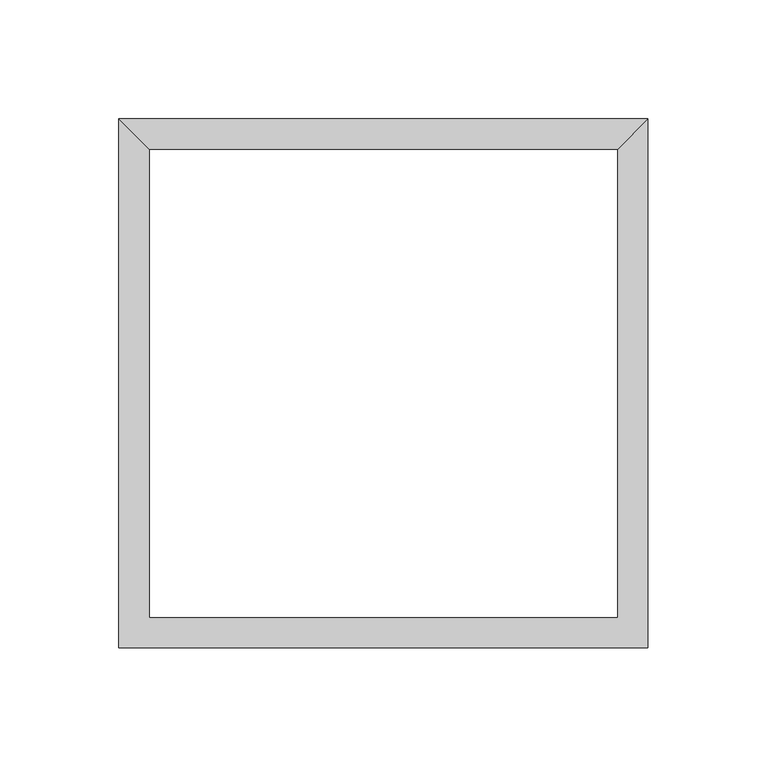
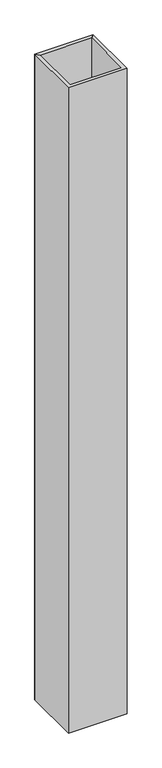
"""IFC4 building model written with IfcOpenShell, lengths in millimetres: proxy geometry."""

from ifc_helpers import new_model, si_unit, origin, origin_with_axes, place, context, project, spatial, polyline, outline, extrude, source, transform, mapped, element, save


def generic_models_9e821bed(model_context):
    return source(origin(), model_context, "Body", "SweptSolid", [
        extrude(outline(polyline([(111.125, 111.125), (98.425, 98.425), (-98.425, 98.425), (-111.125, 111.125), (111.125, 111.125)])), origin_with_axes(), (0.0, 0.0, 1.0), 2590.8),
        extrude(outline(polyline([(-111.125, -111.125), (-111.125, 111.125), (-98.425, 98.425), (-98.425, -98.425), (98.425, -98.425), (98.425, 98.425), (111.125, 111.125), (111.125, -111.125), (-111.125, -111.125)])), origin_with_axes(), (0.0, 0.0, 1.0), 2590.8),
    ])


if __name__ == "__main__":
    model = new_model("IFC4")
    model_context = context("Model", 3, world=origin())
    ifc_project = project(units=[si_unit("LENGTHUNIT", "METRE", prefix="MILLI")], contexts=[model_context])
    site = spatial("IfcSite", under=ifc_project)
    building = spatial("IfcBuilding", under=site)
    placement = place(None, origin())
    generic_models_shape = generic_models_9e821bed(model_context)
    element("IfcBuildingElementProxy", 1, Name="Generic Models", at=placement, inside=building, context=model_context, shape_type="MappedRepresentation", body=[
        mapped(generic_models_shape, transform((0.0, 0.0, 0.0), x_axis=(1.0, 0.0, 0.0), y_axis=(0.0, 1.0, 0.0), z_axis=(0.0, 0.0, 1.0))),
    ])
    save(model, "model.ifc")
